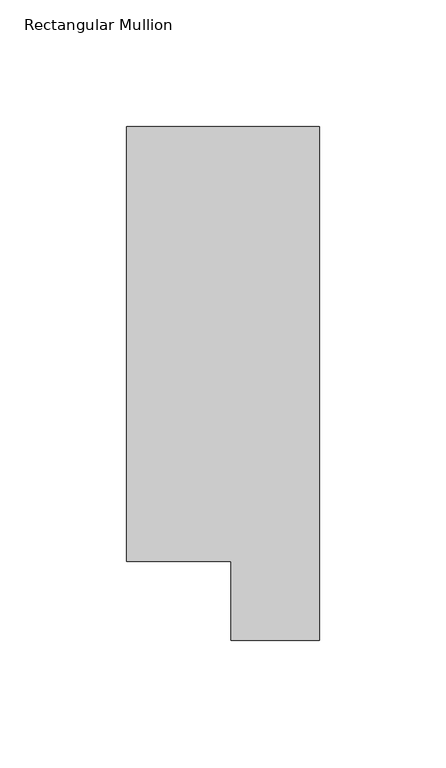
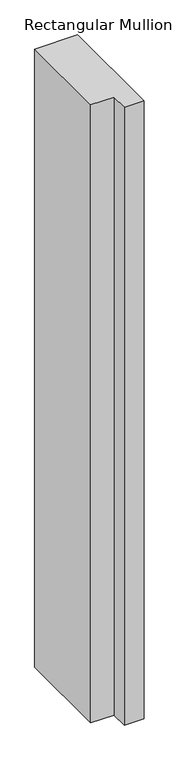
"""IFC4 building model written with IfcOpenShell, lengths in millimetres: member geometry, Rectangular Mullion."""

from ifc_helpers import new_model, si_unit, frame, origin, place, context, project, spatial, polyline, outline, extrude, source, transform, mapped, element, save


def rectangular_mullion_a7f6d7df(model_context):
    return source(origin(), model_context, "Body", "SweptSolid", [
        extrude(outline(polyline([(0.0, 222.5381312), (0.0, 19.5667313), (-34.9123, 19.5667313), (-34.9123, 50.820278), (-76.2, 50.820278), (-76.2, 222.5381312), (0.0, 222.5381312)])), frame((0.0, 0.0, -1155.7), z_axis=(0.0, 0.0, 1.0), x_axis=(1.0, 0.0, 0.0)), (0.0, 0.0, 1.0), 1155.7),
    ])


if __name__ == "__main__":
    model = new_model("IFC4")
    model_context = context("Model", 3, world=origin())
    ifc_project = project(units=[si_unit("LENGTHUNIT", "METRE", prefix="MILLI")], contexts=[model_context])
    site = spatial("IfcSite", under=ifc_project)
    building = spatial("IfcBuilding", under=site)
    placement = place(None, origin())
    rectangular_mullion_shape = rectangular_mullion_a7f6d7df(model_context)
    element("IfcMember", 1, ObjectType="Rectangular Mullion", at=placement, inside=building, context=model_context, shape_type="MappedRepresentation", body=[
        mapped(rectangular_mullion_shape, transform((0.0, 0.0, 0.0), x_axis=(1.0, 0.0, 0.0), y_axis=(0.0, 1.0, 0.0), z_axis=(0.0, 0.0, 1.0))),
    ])
    save(model, "model.ifc")
